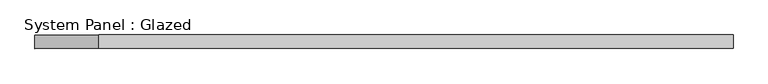
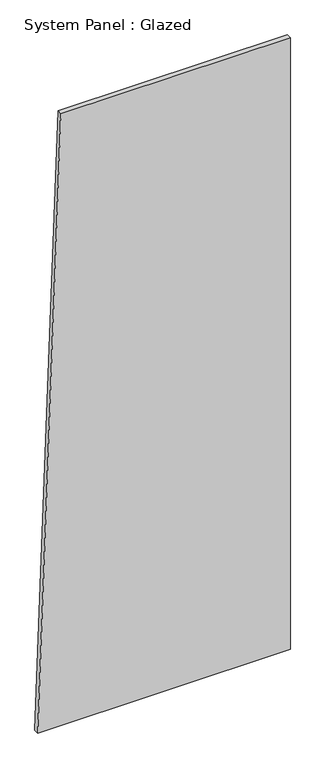
"""IFC4 building model written with IfcOpenShell, lengths in millimetres: plate geometry, System Panel : Glazed."""

import ifcopenshell
import ifcopenshell.guid

model = None  # the IFC model being written
_history = None  # IfcOwnerHistory: only IFC2X3 demands one
_inside = {}  # id of a spatial element -> (the spatial element, [elements in it])
_under = {}  # id of a project, library or spatial element -> (it, [spatial elements below it])
_declared = {}  # id of a project -> (the project, [libraries it declares])
_typed = {}  # id of a type object -> (the type object, [elements of that type])
_made_of = {}  # id of a material, layer set ... -> (it, [elements and type objects made of it])


def new_model(schema):
    """Start an empty IFC model of exactly this schema.

    Asked for "IFC4X3", IfcOpenShell would pick the latest addendum, in which some entities
    have other attributes; the version numbers below select the first issue.
    IFC2X3 requires an IfcOwnerHistory on every rooted entity: one is made here for all.
    """
    global model, _history
    if schema == "IFC4X3":
        model = ifcopenshell.file(schema_version=(4, 3, 0, 0))
    else:
        model = ifcopenshell.file(schema=schema)
    _inside.clear()
    _under.clear()
    _declared.clear()
    _typed.clear()
    _made_of.clear()
    _history = None
    if model.schema == "IFC2X3":
        org = make("IfcOrganization", Name="unknown")
        user = make(
            "IfcPersonAndOrganization",
            ThePerson=make("IfcPerson", FamilyName="unknown"),
            TheOrganization=org,
        )
        app = make(
            "IfcApplication",
            ApplicationDeveloper=org,
            Version="unknown",
            ApplicationFullName="unknown",
            ApplicationIdentifier="unknown",
        )
        _history = make(
            "IfcOwnerHistory",
            OwningUser=user,
            OwningApplication=app,
            ChangeAction="ADDED",
            CreationDate=0,
        )
    return model


def make(cls, **values):
    """One entity of the class cls with the attributes given. An attribute that is None is left unset."""
    return model.create_entity(
        cls, **{name: value for name, value in values.items() if value is not None}
    )


def rooted(cls, **values):
    """An entity with a GlobalId (a new one), such as an element, a storey or a relation."""
    return make(cls, GlobalId=ifcopenshell.guid.new(), OwnerHistory=_history, **values)


def si_unit(unit_type, name, prefix=None):
    """IfcSIUnit, for example si_unit("LENGTHUNIT", "METRE", prefix="MILLI")."""
    return make("IfcSIUnit", UnitType=unit_type, Prefix=prefix, Name=name)


def assignment(units):
    """IfcUnitAssignment: the units of a project."""
    return None if units is None else make("IfcUnitAssignment", Units=units)


def point(xyz):
    """IfcCartesianPoint."""
    return None if xyz is None else make("IfcCartesianPoint", Coordinates=xyz)


def direction(xyz):
    """IfcDirection."""
    return None if xyz is None else make("IfcDirection", DirectionRatios=xyz)


def frame(location, z_axis=None, x_axis=None):
    """IfcAxis2Placement3D, a coordinate frame: its origin and axes. An axis left out is left unset."""
    return make(
        "IfcAxis2Placement3D",
        Location=point(location),
        Axis=direction(z_axis),
        RefDirection=direction(x_axis),
    )


def origin():
    """The frame at (0, 0, 0) with its axes left unset."""
    return frame((0.0, 0.0, 0.0))


def place(relative_to, where):
    """IfcLocalPlacement: puts the frame where relative to a parent placement (None: the world)."""
    return make(
        "IfcLocalPlacement", PlacementRelTo=relative_to, RelativePlacement=where
    )


def context(
    kind, dimensions, precision=None, world=None, true_north=None, identifier=None
):
    """IfcGeometricRepresentationContext, for example the 3D "Model" context."""
    return make(
        "IfcGeometricRepresentationContext",
        ContextIdentifier=identifier,
        ContextType=kind,
        CoordinateSpaceDimension=dimensions,
        Precision=precision,
        WorldCoordinateSystem=world,
        TrueNorth=true_north,
    )


def project(units=None, contexts=None):
    """IfcProject with its units and contexts."""
    return rooted(
        "IfcProject",
        Name="project",
        RepresentationContexts=contexts,
        UnitsInContext=assignment(units),
    )


def spatial(cls, under=None, at=None, **own):
    """A site, building, storey or space (cls), placed at a placement, below another one or the project."""
    s = rooted(cls, ObjectPlacement=at, **own)
    if under is not None:
        _under.setdefault(under.id(), (under, []))[1].append(s)
    return s


def polyline(points):
    """IfcPolyline through the points."""
    return make("IfcPolyline", Points=[point(p) for p in points])


def outline(outer, holes=None, kind="AREA"):
    """IfcArbitraryClosedProfileDef: a profile drawn as a closed curve; with holes, ...WithVoids."""
    if holes is None:
        return make("IfcArbitraryClosedProfileDef", ProfileType=kind, OuterCurve=outer)
    return make(
        "IfcArbitraryProfileDefWithVoids",
        ProfileType=kind,
        OuterCurve=outer,
        InnerCurves=holes,
    )


def extrude(swept, where, along, depth):
    """IfcExtrudedAreaSolid: the profile swept, set in the frame where, extruded along a direction by depth."""
    return make(
        "IfcExtrudedAreaSolid",
        SweptArea=swept,
        Position=where,
        ExtrudedDirection=direction(along),
        Depth=depth,
    )


def shape(context_of_items, identifier, shape_type, items):
    """IfcShapeRepresentation: the items that make up one representation, for example the "Body"."""
    return make(
        "IfcShapeRepresentation",
        ContextOfItems=context_of_items,
        RepresentationIdentifier=identifier,
        RepresentationType=shape_type,
        Items=items,
    )


def source(mapping_origin, context_of_items, identifier, shape_type, items):
    """IfcRepresentationMap: a shape defined once, which mapped items show again and again."""
    return make(
        "IfcRepresentationMap",
        MappingOrigin=mapping_origin,
        MappedRepresentation=shape(context_of_items, identifier, shape_type, items),
    )


def transform(
    local_origin,
    x_axis=None,
    y_axis=None,
    z_axis=None,
    scale=None,
    scale2=None,
    scale3=None,
    uniform=True,
):
    """IfcCartesianTransformationOperator3D, or its non-uniform kind. x_axis, y_axis, z_axis: its Axis1, 2, 3."""
    if uniform:
        return make(
            "IfcCartesianTransformationOperator3D",
            Axis1=direction(x_axis),
            Axis2=direction(y_axis),
            LocalOrigin=point(local_origin),
            Scale=scale,
            Axis3=direction(z_axis),
        )
    return make(
        "IfcCartesianTransformationOperator3DnonUniform",
        Axis1=direction(x_axis),
        Axis2=direction(y_axis),
        LocalOrigin=point(local_origin),
        Scale=scale,
        Axis3=direction(z_axis),
        Scale2=scale2,
        Scale3=scale3,
    )


def mapped(mapping_source, mapping_target):
    """IfcMappedItem: shows the shape of a source again, moved by a transform."""
    return make(
        "IfcMappedItem", MappingSource=mapping_source, MappingTarget=mapping_target
    )


def made_of(thing, what):
    """Note that an element or type object is made of a material, layer set ...; save() writes the relation."""
    if what is not None:
        _made_of.setdefault(what.id(), (what, []))[1].append(thing)
    return thing


def element(
    cls,
    number,
    at=None,
    inside=None,
    cuts=None,
    type_object=None,
    material=None,
    context=None,
    identifier="Body",
    shape_type=None,
    held_by="IfcProductDefinitionShape",
    body=None,
    shapes=None,
    **own,
):
    """One element of the class cls, such as IfcWall. Its Tag is "e" and its number.

    at: its placement. inside: the storey or other place that contains it. cuts: it is an
    opening in that element (IfcRelVoidsElement). A single representation is given by context,
    identifier, shape_type and body (its items); several are given by shapes. held_by: the class
    of the entity that holds the representations. save() writes the other relations.
    """
    e = rooted(cls, Tag="e%d" % number, ObjectPlacement=at, **own)
    if body is not None:
        shapes = [shape(context, identifier, shape_type, body)]
    if shapes is not None:
        e.Representation = make(held_by, Representations=shapes)
    if inside is not None:
        _inside.setdefault(inside.id(), (inside, []))[1].append(e)
    if cuts is not None:
        rooted(
            "IfcRelVoidsElement", RelatingBuildingElement=cuts, RelatedOpeningElement=e
        )
    if type_object is not None:
        _typed.setdefault(type_object.id(), (type_object, []))[1].append(e)
    return made_of(e, material)


def aggregate(whole, parts):
    """IfcRelAggregates: a whole, such as a stair, and the parts it consists of."""
    return rooted("IfcRelAggregates", RelatingObject=whole, RelatedObjects=parts)


def save(model, path):
    """Write the relations noted so far, then the file.

    IfcRelAggregates (storeys below a building ...), IfcRelContainedInSpatialStructure (elements
    in a storey), IfcRelDefinesByType, IfcRelAssociatesMaterial and IfcRelDeclares: one each for
    every whole, place, type object, material and project.
    """
    for whole, parts in _under.values():
        aggregate(whole, parts)
    for where, things in _inside.values():
        rooted(
            "IfcRelContainedInSpatialStructure",
            RelatedElements=things,
            RelatingStructure=where,
        )
    for kind, things in _typed.values():
        rooted("IfcRelDefinesByType", RelatedObjects=things, RelatingType=kind)
    for what, things in _made_of.values():
        rooted("IfcRelAssociatesMaterial", RelatedObjects=things, RelatingMaterial=what)
    for by, libraries in _declared.values():
        rooted("IfcRelDeclares", RelatingContext=by, RelatedDefinitions=libraries)
    model.write(path)


def system_panel_glazed_ddff1de5(model_context):
    return source(origin(), model_context, "Body", "SweptSolid", [
        extrude(outline(polyline([(0.0, -651.89846), (0.0, 651.89846), (3334.6905248, 651.89846), (3334.6905248, -532.3447103), (0.0, -651.89846)])), frame((0.0, -49.5, 0.0), z_axis=(0.0, 1.0, 0.0), x_axis=(0.0, 0.0, 1.0)), (0.0, 0.0, 1.0), 25.0),
    ])


if __name__ == "__main__":
    model = new_model("IFC4")
    model_context = context("Model", 3, world=origin())
    ifc_project = project(units=[si_unit("LENGTHUNIT", "METRE", prefix="MILLI")], contexts=[model_context])
    site = spatial("IfcSite", under=ifc_project)
    building = spatial("IfcBuilding", under=site)
    placement = place(None, origin())
    system_panel_glazed_shape = system_panel_glazed_ddff1de5(model_context)
    element("IfcPlate", 1, ObjectType="System Panel : Glazed", at=placement, inside=building, context=model_context, shape_type="MappedRepresentation", body=[
        mapped(system_panel_glazed_shape, transform((0.0, 0.0, 0.0), x_axis=(1.0, 0.0, 0.0), y_axis=(0.0, 1.0, 0.0), z_axis=(0.0, 0.0, 1.0))),
    ])
    save(model, "model.ifc")
